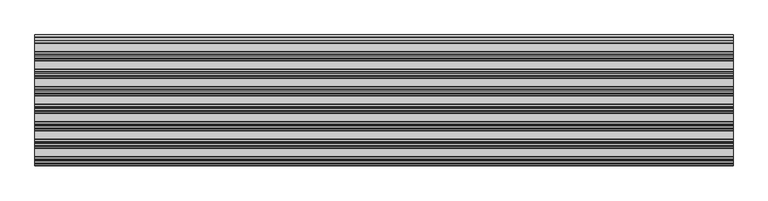
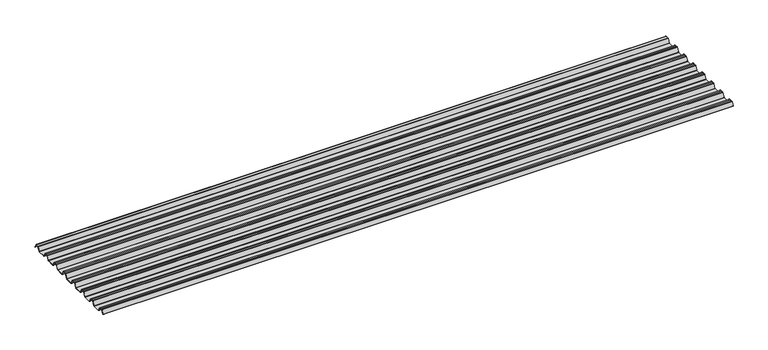
"""IFC4 building model written with IfcOpenShell, lengths in millimetres: beam geometry."""

from ifc_helpers import new_model, si_unit, point, frame, frame_2d, origin, place, context, project, spatial, polyline, circle_curve, trimmed, segment, composite_curve, outline, extrude, source, transform, mapped, element, save


def beam_164601fe(model_context):
    return source(origin(), model_context, "Body", "SweptSolid", [
        extrude(outline(composite_curve([segment(trimmed(circle_curve(frame_2d((12.4202706, 6.454055)), 0.7571435), [point((13.1162593, 6.7521591))], [point((12.456054, 7.2103525))], True, "CARTESIAN"), True, "CONTINUOUS"), segment(polyline([(12.456054, 7.2103525), (-12.456054, 7.2103525)]), True, "CONTINUOUS"), segment(trimmed(circle_curve(frame_2d((-12.4202706, 6.454055)), 0.7571435), [point((-12.456054, 7.2103525))], [point((-13.1162593, 6.7521591))], True, "CARTESIAN"), True, "CONTINUOUS"), segment(polyline([(-13.1162593, 6.7521591), (-29.7452902, -24.2632513)]), True, "CONTINUOUS"), segment(trimmed(circle_curve(frame_2d((-32.2956191, -22.8958828)), 2.8937647), [point((-29.7452902, -24.2632513))], [point((-32.2956191, -25.7896475))], False, "CARTESIAN"), True, "CONTINUOUS"), segment(polyline([(-32.2956191, -25.7896475), (-92.0, -25.7896475)]), True, "CONTINUOUS"), segment(trimmed(circle_curve(frame_2d((-91.9202706, -22.03335)), 3.7571435), [point((-92.0, -25.7896475))], [point((-95.2893314, -23.6963464))], False, "CARTESIAN"), True, "CONTINUOUS"), segment(polyline([(-95.2893314, -23.6963464), (-112.0926736, 7.6441785)]), True, "CONTINUOUS"), segment(trimmed(circle_curve(frame_2d((-114.5797294, 6.454055)), 2.7571435), [point((-112.0926736, 7.6441785))], [point((-114.511431, 9.2103525))], True, "CARTESIAN"), True, "CONTINUOUS"), segment(polyline([(-114.511431, 9.2103525), (-127.0, 9.2103525), (-139.488569, 9.2103525)]), True, "CONTINUOUS"), segment(trimmed(circle_curve(frame_2d((-139.4202706, 6.454055)), 2.7571435), [point((-139.488569, 9.2103525))], [point((-141.9073264, 7.6441785))], True, "CARTESIAN"), True, "CONTINUOUS"), segment(polyline([(-141.9073264, 7.6441785), (-158.7106686, -23.6963464)]), True, "CONTINUOUS"), segment(trimmed(circle_curve(frame_2d((-162.0797294, -22.03335)), 3.7571435), [point((-158.7106686, -23.6963464))], [point((-162.0, -25.7896475))], False, "CARTESIAN"), True, "CONTINUOUS"), segment(polyline([(-162.0, -25.7896475), (-219.0, -25.7896475)]), True, "CONTINUOUS"), segment(trimmed(circle_curve(frame_2d((-218.9202706, -22.03335)), 3.7571435), [point((-219.0, -25.7896475))], [point((-222.2893314, -23.6963464))], False, "CARTESIAN"), True, "CONTINUOUS"), segment(polyline([(-222.2893314, -23.6963464), (-239.0926736, 7.6441785)]), True, "CONTINUOUS"), segment(trimmed(circle_curve(frame_2d((-241.5797294, 6.454055)), 2.7571435), [point((-239.0926736, 7.6441785))], [point((-241.511431, 9.2103525))], True, "CARTESIAN"), True, "CONTINUOUS"), segment(polyline([(-241.511431, 9.2103525), (-254.0, 9.2103525), (-266.488569, 9.2103525)]), True, "CONTINUOUS"), segment(trimmed(circle_curve(frame_2d((-266.4202706, 6.454055)), 2.7571435), [point((-266.488569, 9.2103525))], [point((-268.9073264, 7.6441785))], True, "CARTESIAN"), True, "CONTINUOUS"), segment(polyline([(-268.9073264, 7.6441785), (-285.7106686, -23.6963464)]), True, "CONTINUOUS"), segment(trimmed(circle_curve(frame_2d((-289.0797294, -22.03335)), 3.7571435), [point((-285.7106686, -23.6963464))], [point((-289.0, -25.7896475))], False, "CARTESIAN"), True, "CONTINUOUS"), segment(polyline([(-289.0, -25.7896475), (-346.0, -25.7896475)]), True, "CONTINUOUS"), segment(trimmed(circle_curve(frame_2d((-345.9202706, -22.03335)), 3.7571435), [point((-346.0, -25.7896475))], [point((-349.2893314, -23.6963464))], False, "CARTESIAN"), True, "CONTINUOUS"), segment(polyline([(-349.2893314, -23.6963464), (-366.0926736, 7.6441785)]), True, "CONTINUOUS"), segment(trimmed(circle_curve(frame_2d((-368.5797294, 6.454055)), 2.7571435), [point((-366.0926736, 7.6441785))], [point((-368.511431, 9.2103525))], True, "CARTESIAN"), True, "CONTINUOUS"), segment(polyline([(-368.511431, 9.2103525), (-381.0, 9.2103525), (-393.488569, 9.2103525)]), True, "CONTINUOUS"), segment(trimmed(circle_curve(frame_2d((-393.4202706, 6.454055)), 2.7571435), [point((-393.488569, 9.2103525))], [point((-395.9073264, 7.6441785))], True, "CARTESIAN"), True, "CONTINUOUS"), segment(polyline([(-395.9073264, 7.6441785), (-412.7106686, -23.6963464)]), True, "CONTINUOUS"), segment(trimmed(circle_curve(frame_2d((-416.0797294, -22.03335)), 3.7571435), [point((-412.7106686, -23.6963464))], [point((-416.0, -25.7896475))], False, "CARTESIAN"), True, "CONTINUOUS"), segment(polyline([(-416.0, -25.7896475), (-473.0, -25.7896475)]), True, "CONTINUOUS"), segment(trimmed(circle_curve(frame_2d((-472.9202706, -22.03335)), 3.7571435), [point((-473.0, -25.7896475))], [point((-476.2893314, -23.6963464))], False, "CARTESIAN"), True, "CONTINUOUS"), segment(polyline([(-476.2893314, -23.6963464), (-493.0926736, 7.6441785)]), True, "CONTINUOUS"), segment(trimmed(circle_curve(frame_2d((-495.5797294, 6.454055)), 2.7571435), [point((-493.0926736, 7.6441785))], [point((-495.511431, 9.2103525))], True, "CARTESIAN"), True, "CONTINUOUS"), segment(polyline([(-495.511431, 9.2103525), (-508.0, 9.2103525), (-520.488569, 9.2103525)]), True, "CONTINUOUS"), segment(trimmed(circle_curve(frame_2d((-520.4202706, 6.454055)), 2.7571435), [point((-520.488569, 9.2103525))], [point((-522.9073264, 7.6441785))], True, "CARTESIAN"), True, "CONTINUOUS"), segment(polyline([(-522.9073264, 7.6441785), (-539.7106686, -23.6963464)]), True, "CONTINUOUS"), segment(trimmed(circle_curve(frame_2d((-543.0797294, -22.03335)), 3.7571435), [point((-539.7106686, -23.6963464))], [point((-543.0, -25.7896475))], False, "CARTESIAN"), True, "CONTINUOUS"), segment(polyline([(-543.0, -25.7896475), (-600.0, -25.7896475)]), True, "CONTINUOUS"), segment(trimmed(circle_curve(frame_2d((-599.9202706, -22.03335)), 3.7571435), [point((-600.0, -25.7896475))], [point((-603.2893314, -23.6963464))], False, "CARTESIAN"), True, "CONTINUOUS"), segment(polyline([(-603.2893314, -23.6963464), (-620.0926736, 7.6441785)]), True, "CONTINUOUS"), segment(trimmed(circle_curve(frame_2d((-622.5797294, 6.454055)), 2.7571435), [point((-620.0926736, 7.6441785))], [point((-622.511431, 9.2103525))], True, "CARTESIAN"), True, "CONTINUOUS"), segment(polyline([(-622.511431, 9.2103525), (-635.0, 9.2103525), (-647.488569, 9.2103525)]), True, "CONTINUOUS"), segment(trimmed(circle_curve(frame_2d((-647.4202706, 6.454055)), 2.7571435), [point((-647.488569, 9.2103525))], [point((-649.9073264, 7.6441785))], True, "CARTESIAN"), True, "CONTINUOUS"), segment(polyline([(-649.9073264, 7.6441785), (-666.7106686, -23.6963464)]), True, "CONTINUOUS"), segment(trimmed(circle_curve(frame_2d((-670.0797294, -22.03335)), 3.7571435), [point((-666.7106686, -23.6963464))], [point((-670.0, -25.7896475))], False, "CARTESIAN"), True, "CONTINUOUS"), segment(polyline([(-670.0, -25.7896475), (-727.0, -25.7896475)]), True, "CONTINUOUS"), segment(trimmed(circle_curve(frame_2d((-726.9202706, -22.03335)), 3.7571435), [point((-727.0, -25.7896475))], [point((-730.2893314, -23.6963464))], False, "CARTESIAN"), True, "CONTINUOUS"), segment(polyline([(-730.2893314, -23.6963464), (-747.0926736, 7.6441785)]), True, "CONTINUOUS"), segment(trimmed(circle_curve(frame_2d((-749.5797294, 6.454055)), 2.7571435), [point((-747.0926736, 7.6441785))], [point((-749.511431, 9.2103525))], True, "CARTESIAN"), True, "CONTINUOUS"), segment(polyline([(-749.511431, 9.2103525), (-762.0, 9.2103525), (-774.488569, 9.2103525)]), True, "CONTINUOUS"), segment(trimmed(circle_curve(frame_2d((-774.4202706, 6.454055)), 2.7571435), [point((-774.488569, 9.2103525))], [point((-776.9073264, 7.6441785))], True, "CARTESIAN"), True, "CONTINUOUS"), segment(polyline([(-776.9073264, 7.6441785), (-793.7106686, -23.6963464)]), True, "CONTINUOUS"), segment(trimmed(circle_curve(frame_2d((-797.0797294, -22.03335)), 3.7571435), [point((-793.7106686, -23.6963464))], [point((-797.0, -25.7896475))], False, "CARTESIAN"), True, "CONTINUOUS"), segment(polyline([(-797.0, -25.7896475), (-854.0, -25.7896475)]), True, "CONTINUOUS"), segment(trimmed(circle_curve(frame_2d((-853.9202706, -22.03335)), 3.7571435), [point((-854.0, -25.7896475))], [point((-857.2893314, -23.6963464))], False, "CARTESIAN"), True, "CONTINUOUS"), segment(polyline([(-857.2893314, -23.6963464), (-874.0926736, 7.6441785)]), True, "CONTINUOUS"), segment(trimmed(circle_curve(frame_2d((-876.5797294, 6.454055)), 2.7571435), [point((-874.0926736, 7.6441785))], [point((-876.511431, 9.2103525))], True, "CARTESIAN"), True, "CONTINUOUS"), segment(polyline([(-876.511431, 9.2103525), (-889.0, 9.2103525), (-901.488569, 9.2103525)]), True, "CONTINUOUS"), segment(trimmed(circle_curve(frame_2d((-901.4202706, 6.454055)), 2.7571435), [point((-901.488569, 9.2103525))], [point((-903.9073264, 7.6441785))], True, "CARTESIAN"), True, "CONTINUOUS"), segment(polyline([(-903.9073264, 7.6441785), (-918.9585755, -20.4284536)]), True, "CONTINUOUS"), segment(trimmed(circle_curve(frame_2d((-919.3992348, -20.1921924)), 0.5), [point((-918.9585755, -20.4284536))], [point((-919.8398941, -19.9559313))], False, "CARTESIAN"), True, "CONTINUOUS"), segment(polyline([(-919.8398941, -19.9559313), (-904.7986379, 8.0980628)]), True, "CONTINUOUS"), segment(trimmed(circle_curve(frame_2d((-901.4202706, 6.454055)), 3.7571435), [point((-904.7986379, 8.0980628))], [point((-901.5, 10.2103525))], False, "CARTESIAN"), True, "CONTINUOUS"), segment(polyline([(-901.5, 10.2103525), (-889.0, 10.2103525), (-876.5, 10.2103525)]), True, "CONTINUOUS"), segment(trimmed(circle_curve(frame_2d((-876.5797294, 6.454055)), 3.7571435), [point((-876.5, 10.2103525))], [point((-873.2013621, 8.0980628))], False, "CARTESIAN"), True, "CONTINUOUS"), segment(polyline([(-873.2013621, 8.0980628), (-856.3994529, -23.2397892)]), True, "CONTINUOUS"), segment(trimmed(circle_curve(frame_2d((-853.9202706, -22.03335)), 2.7571435), [point((-856.3994529, -23.2397892))], [point((-853.988569, -24.7896475))], True, "CARTESIAN"), True, "CONTINUOUS"), segment(polyline([(-853.988569, -24.7896475), (-797.011431, -24.7896475)]), True, "CONTINUOUS"), segment(trimmed(circle_curve(frame_2d((-797.0797294, -22.03335)), 2.7571435), [point((-797.011431, -24.7896475))], [point((-794.6005471, -23.2397892))], True, "CARTESIAN"), True, "CONTINUOUS"), segment(polyline([(-794.6005471, -23.2397892), (-777.7986379, 8.0980628)]), True, "CONTINUOUS"), segment(trimmed(circle_curve(frame_2d((-774.4202706, 6.454055)), 3.7571435), [point((-777.7986379, 8.0980628))], [point((-774.5, 10.2103525))], False, "CARTESIAN"), True, "CONTINUOUS"), segment(polyline([(-774.5, 10.2103525), (-762.0, 10.2103525), (-749.5, 10.2103525)]), True, "CONTINUOUS"), segment(trimmed(circle_curve(frame_2d((-749.5797294, 6.454055)), 3.7571435), [point((-749.5, 10.2103525))], [point((-746.2013621, 8.0980628))], False, "CARTESIAN"), True, "CONTINUOUS"), segment(polyline([(-746.2013621, 8.0980628), (-729.3994529, -23.2397892)]), True, "CONTINUOUS"), segment(trimmed(circle_curve(frame_2d((-726.9202706, -22.03335)), 2.7571435), [point((-729.3994529, -23.2397892))], [point((-726.988569, -24.7896475))], True, "CARTESIAN"), True, "CONTINUOUS"), segment(polyline([(-726.988569, -24.7896475), (-670.011431, -24.7896475)]), True, "CONTINUOUS"), segment(trimmed(circle_curve(frame_2d((-670.0797294, -22.03335)), 2.7571435), [point((-670.011431, -24.7896475))], [point((-667.6005471, -23.2397892))], True, "CARTESIAN"), True, "CONTINUOUS"), segment(polyline([(-667.6005471, -23.2397892), (-650.7986379, 8.0980628)]), True, "CONTINUOUS"), segment(trimmed(circle_curve(frame_2d((-647.4202706, 6.454055)), 3.7571435), [point((-650.7986379, 8.0980628))], [point((-647.5, 10.2103525))], False, "CARTESIAN"), True, "CONTINUOUS"), segment(polyline([(-647.5, 10.2103525), (-635.0, 10.2103525), (-622.5, 10.2103525)]), True, "CONTINUOUS"), segment(trimmed(circle_curve(frame_2d((-622.5797294, 6.454055)), 3.7571435), [point((-622.5, 10.2103525))], [point((-619.2013621, 8.0980628))], False, "CARTESIAN"), True, "CONTINUOUS"), segment(polyline([(-619.2013621, 8.0980628), (-602.3994529, -23.2397892)]), True, "CONTINUOUS"), segment(trimmed(circle_curve(frame_2d((-599.9202706, -22.03335)), 2.7571435), [point((-602.3994529, -23.2397892))], [point((-599.988569, -24.7896475))], True, "CARTESIAN"), True, "CONTINUOUS"), segment(polyline([(-599.988569, -24.7896475), (-543.011431, -24.7896475)]), True, "CONTINUOUS"), segment(trimmed(circle_curve(frame_2d((-543.0797294, -22.03335)), 2.7571435), [point((-543.011431, -24.7896475))], [point((-540.6005471, -23.2397892))], True, "CARTESIAN"), True, "CONTINUOUS"), segment(polyline([(-540.6005471, -23.2397892), (-523.7986379, 8.0980628)]), True, "CONTINUOUS"), segment(trimmed(circle_curve(frame_2d((-520.4202706, 6.454055)), 3.7571435), [point((-523.7986379, 8.0980628))], [point((-520.5, 10.2103525))], False, "CARTESIAN"), True, "CONTINUOUS"), segment(polyline([(-520.5, 10.2103525), (-508.0, 10.2103525), (-495.5, 10.2103525)]), True, "CONTINUOUS"), segment(trimmed(circle_curve(frame_2d((-495.5797294, 6.454055)), 3.7571435), [point((-495.5, 10.2103525))], [point((-492.2013621, 8.0980628))], False, "CARTESIAN"), True, "CONTINUOUS"), segment(polyline([(-492.2013621, 8.0980628), (-475.3994529, -23.2397892)]), True, "CONTINUOUS"), segment(trimmed(circle_curve(frame_2d((-472.9202706, -22.03335)), 2.7571435), [point((-475.3994529, -23.2397892))], [point((-472.988569, -24.7896475))], True, "CARTESIAN"), True, "CONTINUOUS"), segment(polyline([(-472.988569, -24.7896475), (-416.011431, -24.7896475)]), True, "CONTINUOUS"), segment(trimmed(circle_curve(frame_2d((-416.0797294, -22.03335)), 2.7571435), [point((-416.011431, -24.7896475))], [point((-413.6005471, -23.2397892))], True, "CARTESIAN"), True, "CONTINUOUS"), segment(polyline([(-413.6005471, -23.2397892), (-396.7986379, 8.0980628)]), True, "CONTINUOUS"), segment(trimmed(circle_curve(frame_2d((-393.4202706, 6.454055)), 3.7571435), [point((-396.7986379, 8.0980628))], [point((-393.5, 10.2103525))], False, "CARTESIAN"), True, "CONTINUOUS"), segment(polyline([(-393.5, 10.2103525), (-381.0, 10.2103525), (-368.5, 10.2103525)]), True, "CONTINUOUS"), segment(trimmed(circle_curve(frame_2d((-368.5797294, 6.454055)), 3.7571435), [point((-368.5, 10.2103525))], [point((-365.2013621, 8.0980628))], False, "CARTESIAN"), True, "CONTINUOUS"), segment(polyline([(-365.2013621, 8.0980628), (-348.3994529, -23.2397892)]), True, "CONTINUOUS"), segment(trimmed(circle_curve(frame_2d((-345.9202706, -22.03335)), 2.7571435), [point((-348.3994529, -23.2397892))], [point((-345.988569, -24.7896475))], True, "CARTESIAN"), True, "CONTINUOUS"), segment(polyline([(-345.988569, -24.7896475), (-289.011431, -24.7896475)]), True, "CONTINUOUS"), segment(trimmed(circle_curve(frame_2d((-289.0797294, -22.03335)), 2.7571435), [point((-289.011431, -24.7896475))], [point((-286.6005471, -23.2397892))], True, "CARTESIAN"), True, "CONTINUOUS"), segment(polyline([(-286.6005471, -23.2397892), (-269.7986379, 8.0980628)]), True, "CONTINUOUS"), segment(trimmed(circle_curve(frame_2d((-266.4202706, 6.454055)), 3.7571435), [point((-269.7986379, 8.0980628))], [point((-266.5, 10.2103525))], False, "CARTESIAN"), True, "CONTINUOUS"), segment(polyline([(-266.5, 10.2103525), (-254.0, 10.2103525), (-241.5, 10.2103525)]), True, "CONTINUOUS"), segment(trimmed(circle_curve(frame_2d((-241.5797294, 6.454055)), 3.7571435), [point((-241.5, 10.2103525))], [point((-238.2013621, 8.0980628))], False, "CARTESIAN"), True, "CONTINUOUS"), segment(polyline([(-238.2013621, 8.0980628), (-221.3994529, -23.2397892)]), True, "CONTINUOUS"), segment(trimmed(circle_curve(frame_2d((-218.9202706, -22.03335)), 2.7571435), [point((-221.3994529, -23.2397892))], [point((-218.988569, -24.7896475))], True, "CARTESIAN"), True, "CONTINUOUS"), segment(polyline([(-218.988569, -24.7896475), (-162.011431, -24.7896475)]), True, "CONTINUOUS"), segment(trimmed(circle_curve(frame_2d((-162.0797294, -22.03335)), 2.7571435), [point((-162.011431, -24.7896475))], [point((-159.6005471, -23.2397892))], True, "CARTESIAN"), True, "CONTINUOUS"), segment(polyline([(-159.6005471, -23.2397892), (-142.7986379, 8.0980628)]), True, "CONTINUOUS"), segment(trimmed(circle_curve(frame_2d((-139.4202706, 6.454055)), 3.7571435), [point((-142.7986379, 8.0980628))], [point((-139.5, 10.2103525))], False, "CARTESIAN"), True, "CONTINUOUS"), segment(polyline([(-139.5, 10.2103525), (-127.0, 10.2103525), (-114.5, 10.2103525)]), True, "CONTINUOUS"), segment(trimmed(circle_curve(frame_2d((-114.5797294, 6.454055)), 3.7571435), [point((-114.5, 10.2103525))], [point((-111.2013621, 8.0980628))], False, "CARTESIAN"), True, "CONTINUOUS"), segment(polyline([(-111.2013621, 8.0980628), (-94.3994529, -23.2397892)]), True, "CONTINUOUS"), segment(trimmed(circle_curve(frame_2d((-91.9202706, -22.03335)), 2.7571435), [point((-94.3994529, -23.2397892))], [point((-91.988569, -24.7896475))], True, "CARTESIAN"), True, "CONTINUOUS"), segment(polyline([(-91.988569, -24.7896475), (-32.2956191, -24.7896475)]), True, "CONTINUOUS"), segment(trimmed(circle_curve(frame_2d((-32.2956191, -22.8958828)), 1.8937647), [point((-32.2956191, -24.7896475))], [point((-30.6266089, -23.790729))], True, "CARTESIAN"), True, "CONTINUOUS"), segment(polyline([(-30.6266089, -23.790729), (-14.013963, 7.1941212)]), True, "CONTINUOUS"), segment(trimmed(circle_curve(frame_2d((-12.4202706, 6.454055)), 1.7571435), [point((-14.013963, 7.1941212))], [point((-12.4747918, 8.2103525))], False, "CARTESIAN"), True, "CONTINUOUS"), segment(polyline([(-12.4747918, 8.2103525), (12.4747918, 8.2103525)]), True, "CONTINUOUS"), segment(trimmed(circle_curve(frame_2d((12.4202706, 6.454055)), 1.7571435), [point((12.4747918, 8.2103525))], [point((14.013963, 7.1941212))], False, "CARTESIAN"), True, "CONTINUOUS"), segment(polyline([(14.013963, 7.1941212), (29.5895021, -21.8563833)]), True, "CONTINUOUS"), segment(trimmed(circle_curve(frame_2d((29.1488427, -22.0926445)), 0.5), [point((29.5895021, -21.8563833))], [point((28.7081834, -22.3289057))], False, "CARTESIAN"), True, "CONTINUOUS"), segment(polyline([(28.7081834, -22.3289057), (13.1162593, 6.7521591)]), True, "CONTINUOUS")], self_intersect=False)), frame((-2535.0, 0.0, 0.0), z_axis=(1.0, 0.0, 0.0), x_axis=(0.0, 1.0, 0.0)), (0.0, 0.0, 1.0), 5070.0),
    ])


if __name__ == "__main__":
    model = new_model("IFC4")
    model_context = context("Model", 3, world=origin())
    ifc_project = project(units=[si_unit("LENGTHUNIT", "METRE", prefix="MILLI")], contexts=[model_context])
    site = spatial("IfcSite", under=ifc_project)
    building = spatial("IfcBuilding", under=site)
    placement = place(None, origin())
    beam_shape = beam_164601fe(model_context)
    element("IfcBeam", 1, at=placement, inside=building, context=model_context, shape_type="MappedRepresentation", body=[
        mapped(beam_shape, transform((0.0, 0.0, 0.0), x_axis=(1.0, 0.0, 0.0), y_axis=(0.0, 1.0, 0.0), z_axis=(0.0, 0.0, 1.0))),
    ])
    save(model, "model.ifc")
